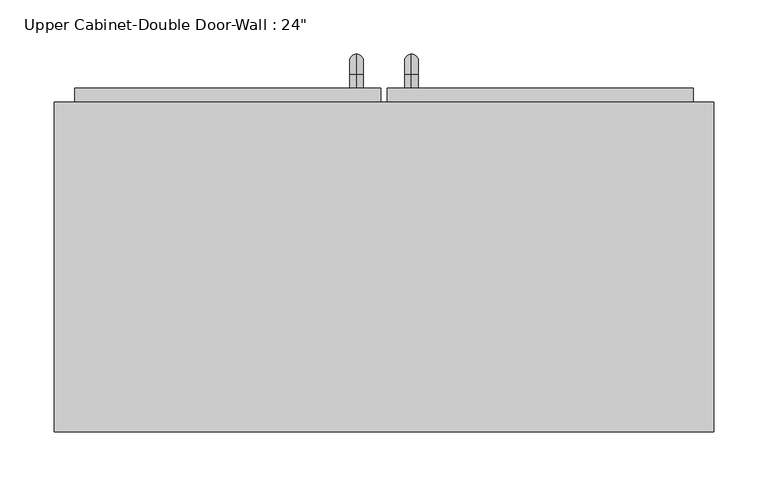
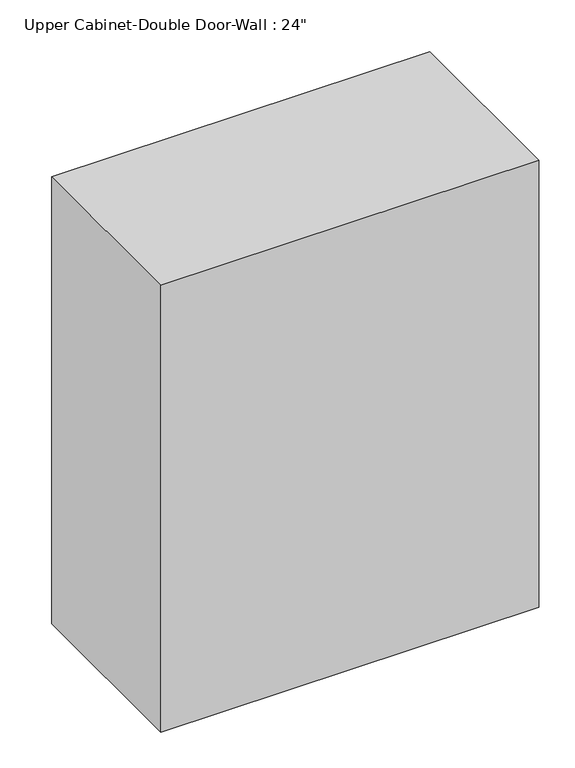
"""IFC4 building model written with IfcOpenShell, lengths in millimetres: furniture geometry."""

from ifc_helpers import new_model, si_unit, point, frame, origin, place, context, project, spatial, polyline, circle_curve, ellipse_curve, trimmed, outline, extrude, faceted_brep, source, transform, mapped, element, save
from ifc_brep_helpers import plane_surface, cylinder_surface, revolved_surface, advanced_brep


def furniture_1a12ce35(model_context):
    return source(origin(), model_context, "Body", "SolidModel", [
        faceted_brep([(-275.0288372, 61.9125, 2133.6), (-275.0288372, 61.9125, 1371.6), (334.5711628, 61.9125, 1371.6), (334.5711628, 61.9125, 2133.6), (-275.0288372, 366.7125, 2133.6), (334.5711628, 366.7125, 2133.6), (334.5711628, 366.7125, 1371.6), (-275.0288372, 366.7125, 1371.6), (-255.9788372, 366.7125, 2114.55), (-255.9788372, 366.7125, 1390.65), (315.5211628, 366.7125, 1390.65), (315.5211628, 366.7125, 2114.55), (315.5211628, 80.9625, 2114.55), (-255.9788372, 80.9625, 2114.55), (315.5211628, 80.9625, 1390.65), (-255.9788372, 80.9625, 1390.65)], [[[0, 1, 2, 3]], [[4, 5, 6, 7], [8, 9, 10, 11]], [[1, 0, 4, 7]], [[2, 1, 7, 6]], [[3, 2, 6, 5]], [[0, 3, 5, 4]], [[8, 11, 12, 13]], [[11, 10, 14, 12]], [[10, 9, 15, 14]], [[9, 8, 13, 15]], [[13, 12, 14, 15]]]),
        advanced_brep(
        [(55.1711628, 379.4125, 1517.65), (55.1711628, 379.4125, 1530.35), (55.1711628, 392.1125, 1517.65), (55.1711628, 392.1125, 1530.35), (55.1711628, 411.1625, 1511.3), (55.1711628, 398.4625, 1511.3), (55.1711628, 398.4625, 1435.1), (55.1711628, 411.1625, 1435.1), (55.1711628, 392.1125, 1416.05), (55.1711628, 392.1125, 1428.75), (55.1711628, 379.4125, 1428.75), (55.1711628, 379.4125, 1416.05)],
        [
            (0, 1, circle_curve(frame((55.1711628, 379.4125, 1524.0), z_axis=(0.0, -1.0, 0.0), x_axis=(0.0, 0.0, -1.0)), 6.35)),
            (1, 0, circle_curve(frame((55.1711628, 379.4125, 1524.0), z_axis=(0.0, -1.0, 0.0), x_axis=(0.0, 0.0, -1.0)), 6.35)),
            (0, 2),
            (2, 3, circle_curve(frame((55.1711628, 392.1125, 1524.0), z_axis=(0.0, -1.0, 0.0), x_axis=(0.0, 0.0, -1.0)), 6.35)),
            (3, 1),
            (3, 2, circle_curve(frame((55.1711628, 392.1125, 1524.0), z_axis=(0.0, -1.0, 0.0), x_axis=(0.0, 0.0, -1.0)), 6.35)),
            (4, 3, circle_curve(frame((55.1711628, 392.1125, 1511.3), z_axis=(1.0, 0.0, 0.0), x_axis=(0.0, 0.0, 1.0)), 19.05)),
            (2, 5, circle_curve(frame((55.1711628, 392.1125, 1511.3), z_axis=(-1.0, 0.0, 0.0), x_axis=(0.0, 0.0, 1.0)), 6.35)),
            (5, 4, circle_curve(frame((55.1711628, 404.8125, 1511.3), z_axis=(0.0, 0.0, 1.0), x_axis=(0.0, -1.0, 0.0)), 6.35)),
            (4, 5, circle_curve(frame((55.1711628, 404.8125, 1511.3), z_axis=(0.0, 0.0, 1.0), x_axis=(0.0, -1.0, 0.0)), 6.35)),
            (5, 6),
            (6, 7, circle_curve(frame((55.1711628, 404.8125, 1435.1), z_axis=(0.0, 0.0, 1.0), x_axis=(0.0, -1.0, 0.0)), 6.35)),
            (7, 4),
            (7, 6, circle_curve(frame((55.1711628, 404.8125, 1435.1), z_axis=(0.0, 0.0, 1.0), x_axis=(0.0, -1.0, 0.0)), 6.35)),
            (8, 7, circle_curve(frame((55.1711628, 392.1125, 1435.1), z_axis=(1.0, 0.0, 0.0), x_axis=(0.0, 1.0, 0.0)), 19.05)),
            (6, 9, circle_curve(frame((55.1711628, 392.1125, 1435.1), z_axis=(-1.0, 0.0, 0.0), x_axis=(0.0, 1.0, 0.0)), 6.35)),
            (9, 8, circle_curve(frame((55.1711628, 392.1125, 1422.4), z_axis=(0.0, 1.0, 0.0), x_axis=(0.0, 0.0, 1.0)), 6.35)),
            (8, 9, circle_curve(frame((55.1711628, 392.1125, 1422.4), z_axis=(0.0, 1.0, 0.0), x_axis=(0.0, 0.0, 1.0)), 6.35)),
            (10, 11, circle_curve(frame((55.1711628, 379.4125, 1422.4), z_axis=(0.0, -1.0, 0.0), x_axis=(0.0, 0.0, 1.0)), 6.35)),
            (11, 10, circle_curve(frame((55.1711628, 379.4125, 1422.4), z_axis=(0.0, -1.0, 0.0), x_axis=(0.0, 0.0, 1.0)), 6.35)),
            (9, 10),
            (11, 8),
        ],
        [
            plane_surface(frame((48.8211628, 379.4125, 1524.0), z_axis=(0.0, -1.0, 0.0), x_axis=(0.0, 0.0, 1.0))),
            cylinder_surface(frame((55.1711628, 379.4125, 1524.0), z_axis=(0.0, -1.0, 0.0), x_axis=(0.0, 0.0, -1.0)), 6.35),
            revolved_surface(trimmed(ellipse_curve(frame((55.1711628, 392.1125, 1524.0), z_axis=(0.0, -1.0, 0.0), x_axis=(0.0, 0.0, -1.0)), 6.35, 6.35), [point((55.1711628, 392.1125, 1517.65))], [point((55.1711628, 392.1125, 1530.35))], True, "CARTESIAN"), (55.1711628, 392.1125, 1511.3), (-1.0, 0.0, 0.0)),
            revolved_surface(trimmed(ellipse_curve(frame((55.1711628, 392.1125, 1524.0), z_axis=(0.0, -1.0, 0.0), x_axis=(0.0, 0.0, -1.0)), 6.35, 6.35), [point((55.1711628, 392.1125, 1530.35))], [point((55.1711628, 392.1125, 1517.65))], True, "CARTESIAN"), (55.1711628, 392.1125, 1511.3), (-1.0, 0.0, 0.0)),
            cylinder_surface(frame((55.1711628, 404.8125, 1511.3), z_axis=(0.0, 0.0, 1.0), x_axis=(0.0, -1.0, 0.0)), 6.35),
            revolved_surface(trimmed(ellipse_curve(frame((55.1711628, 404.8125, 1435.1), z_axis=(0.0, 0.0, 1.0), x_axis=(0.0, -1.0, 0.0)), 6.35, 6.35), [point((55.1711628, 398.4625, 1435.1))], [point((55.1711628, 411.1625, 1435.1))], True, "CARTESIAN"), (55.1711628, 392.1125, 1435.1), (-1.0, 0.0, 0.0)),
            revolved_surface(trimmed(ellipse_curve(frame((55.1711628, 404.8125, 1435.1), z_axis=(0.0, 0.0, 1.0), x_axis=(0.0, -1.0, 0.0)), 6.35, 6.35), [point((55.1711628, 411.1625, 1435.1))], [point((55.1711628, 398.4625, 1435.1))], True, "CARTESIAN"), (55.1711628, 392.1125, 1435.1), (-1.0, 0.0, 0.0)),
            plane_surface(frame((48.8211628, 379.4125, 1422.4), z_axis=(0.0, -1.0, 0.0), x_axis=(0.0, 0.0, -1.0))),
            cylinder_surface(frame((55.1711628, 392.1125, 1422.4), z_axis=(0.0, 1.0, 0.0), x_axis=(0.0, 0.0, 1.0)), 6.35),
        ],
        [
            (0, [[1, 2]]),
            (1, [[-1, 3, 4, 5]]),
            (1, [[-2, -5, 6, -3]]),
            (2, [[7, -4, 8, 9]]),
            (3, [[-8, -6, -7, 10]]),
            (4, [[-9, 11, 12, 13]]),
            (4, [[-10, -13, 14, -11]]),
            (5, [[15, -12, 16, 17]]),
            (6, [[-16, -14, -15, 18]]),
            (7, [[19, 20]]),
            (8, [[-17, 21, -20, 22]]),
            (8, [[-18, -22, -19, -21]]),
        ],
    ),
        advanced_brep(
        [(4.3711628, 379.4125, 1517.65), (4.3711628, 379.4125, 1530.35), (4.3711628, 392.1125, 1517.65), (4.3711628, 392.1125, 1530.35), (4.3711628, 411.1625, 1511.3), (4.3711628, 398.4625, 1511.3), (4.3711628, 398.4625, 1435.1), (4.3711628, 411.1625, 1435.1), (4.3711628, 392.1125, 1416.05), (4.3711628, 392.1125, 1428.75), (4.3711628, 379.4125, 1428.75), (4.3711628, 379.4125, 1416.05)],
        [
            (0, 1, circle_curve(frame((4.3711628, 379.4125, 1524.0), z_axis=(0.0, -1.0, 0.0), x_axis=(0.0, 0.0, 1.0)), 6.35)),
            (1, 0, circle_curve(frame((4.3711628, 379.4125, 1524.0), z_axis=(0.0, -1.0, 0.0), x_axis=(0.0, 0.0, 1.0)), 6.35)),
            (0, 2),
            (2, 3, circle_curve(frame((4.3711628, 392.1125, 1524.0), z_axis=(0.0, -1.0, 0.0), x_axis=(0.0, 0.0, 1.0)), 6.35)),
            (3, 1),
            (3, 2, circle_curve(frame((4.3711628, 392.1125, 1524.0), z_axis=(0.0, -1.0, 0.0), x_axis=(0.0, 0.0, 1.0)), 6.35)),
            (4, 3, circle_curve(frame((4.3711628, 392.1125, 1511.3), z_axis=(1.0, 0.0, 0.0), x_axis=(0.0, 0.0, 1.0)), 19.05)),
            (2, 5, circle_curve(frame((4.3711628, 392.1125, 1511.3), z_axis=(-1.0, 0.0, 0.0), x_axis=(0.0, 0.0, 1.0)), 6.35)),
            (5, 4, circle_curve(frame((4.3711628, 404.8125, 1511.3), z_axis=(0.0, 0.0, 1.0), x_axis=(0.0, 1.0, 0.0)), 6.35)),
            (4, 5, circle_curve(frame((4.3711628, 404.8125, 1511.3), z_axis=(0.0, 0.0, 1.0), x_axis=(0.0, 1.0, 0.0)), 6.35)),
            (5, 6),
            (6, 7, circle_curve(frame((4.3711628, 404.8125, 1435.1), z_axis=(0.0, 0.0, 1.0), x_axis=(0.0, 1.0, 0.0)), 6.35)),
            (7, 4),
            (7, 6, circle_curve(frame((4.3711628, 404.8125, 1435.1), z_axis=(0.0, 0.0, 1.0), x_axis=(0.0, 1.0, 0.0)), 6.35)),
            (8, 7, circle_curve(frame((4.3711628, 392.1125, 1435.1), z_axis=(1.0, 0.0, 0.0), x_axis=(0.0, 1.0, 0.0)), 19.05)),
            (6, 9, circle_curve(frame((4.3711628, 392.1125, 1435.1), z_axis=(-1.0, 0.0, 0.0), x_axis=(0.0, 1.0, 0.0)), 6.35)),
            (9, 8, circle_curve(frame((4.3711628, 392.1125, 1422.4), z_axis=(0.0, 1.0, 0.0), x_axis=(0.0, 0.0, -1.0)), 6.35)),
            (8, 9, circle_curve(frame((4.3711628, 392.1125, 1422.4), z_axis=(0.0, 1.0, 0.0), x_axis=(0.0, 0.0, -1.0)), 6.35)),
            (10, 11, circle_curve(frame((4.3711628, 379.4125, 1422.4), z_axis=(0.0, -1.0, 0.0), x_axis=(0.0, 0.0, -1.0)), 6.35)),
            (11, 10, circle_curve(frame((4.3711628, 379.4125, 1422.4), z_axis=(0.0, -1.0, 0.0), x_axis=(0.0, 0.0, -1.0)), 6.35)),
            (9, 10),
            (11, 8),
        ],
        [
            plane_surface(frame((-1.9788372, 379.4125, 1524.0), z_axis=(0.0, -1.0, 0.0), x_axis=(0.0, 0.0, 1.0))),
            cylinder_surface(frame((4.3711628, 379.4125, 1524.0), z_axis=(0.0, -1.0, 0.0), x_axis=(0.0, 0.0, 1.0)), 6.35),
            revolved_surface(trimmed(ellipse_curve(frame((4.3711628, 392.1125, 1524.0), z_axis=(0.0, -1.0, 0.0), x_axis=(0.0, 0.0, 1.0)), 6.35, 6.35), [point((4.3711628, 392.1125, 1517.65))], [point((4.3711628, 392.1125, 1530.35))], True, "CARTESIAN"), (4.3711628, 392.1125, 1511.3), (-1.0, 0.0, 0.0)),
            revolved_surface(trimmed(ellipse_curve(frame((4.3711628, 392.1125, 1524.0), z_axis=(0.0, -1.0, 0.0), x_axis=(0.0, 0.0, 1.0)), 6.35, 6.35), [point((4.3711628, 392.1125, 1530.35))], [point((4.3711628, 392.1125, 1517.65))], True, "CARTESIAN"), (4.3711628, 392.1125, 1511.3), (-1.0, 0.0, 0.0)),
            cylinder_surface(frame((4.3711628, 404.8125, 1511.3), z_axis=(0.0, 0.0, 1.0), x_axis=(0.0, 1.0, 0.0)), 6.35),
            revolved_surface(trimmed(ellipse_curve(frame((4.3711628, 404.8125, 1435.1), z_axis=(0.0, 0.0, 1.0), x_axis=(0.0, 1.0, 0.0)), 6.35, 6.35), [point((4.3711628, 398.4625, 1435.1))], [point((4.3711628, 411.1625, 1435.1))], True, "CARTESIAN"), (4.3711628, 392.1125, 1435.1), (-1.0, 0.0, 0.0)),
            revolved_surface(trimmed(ellipse_curve(frame((4.3711628, 404.8125, 1435.1), z_axis=(0.0, 0.0, 1.0), x_axis=(0.0, 1.0, 0.0)), 6.35, 6.35), [point((4.3711628, 411.1625, 1435.1))], [point((4.3711628, 398.4625, 1435.1))], True, "CARTESIAN"), (4.3711628, 392.1125, 1435.1), (-1.0, 0.0, 0.0)),
            plane_surface(frame((-1.9788372, 379.4125, 1422.4), z_axis=(0.0, -1.0, 0.0), x_axis=(0.0, 0.0, -1.0))),
            cylinder_surface(frame((4.3711628, 392.1125, 1422.4), z_axis=(0.0, 1.0, 0.0), x_axis=(0.0, 0.0, -1.0)), 6.35),
        ],
        [
            (0, [[1, 2]]),
            (1, [[-1, 3, 4, 5]]),
            (1, [[-2, -5, 6, -3]]),
            (2, [[7, -4, 8, 9]]),
            (3, [[-8, -6, -7, 10]]),
            (4, [[-9, 11, 12, 13]]),
            (4, [[-10, -13, 14, -11]]),
            (5, [[15, -12, 16, 17]]),
            (6, [[-16, -14, -15, 18]]),
            (7, [[19, 20]]),
            (8, [[-17, 21, -20, 22]]),
            (8, [[-18, -22, -19, -21]]),
        ],
    ),
        extrude(outline(polyline([(32.9461628, 379.4125), (315.5211628, 379.4125), (315.5211628, 347.6625), (32.9461628, 347.6625), (32.9461628, 379.4125)])), frame((0.0, 0.0, 1390.65), z_axis=(0.0, 0.0, 1.0), x_axis=(1.0, 0.0, 0.0)), (0.0, 0.0, 1.0), 723.9),
        extrude(outline(polyline([(-255.9788372, 379.4125), (26.5961628, 379.4125), (26.5961628, 347.6625), (-255.9788372, 347.6625), (-255.9788372, 379.4125)])), frame((0.0, 0.0, 1390.65), z_axis=(0.0, 0.0, 1.0), x_axis=(1.0, 0.0, 0.0)), (0.0, 0.0, 1.0), 723.9),
    ])


if __name__ == "__main__":
    model = new_model("IFC4")
    model_context = context("Model", 3, world=origin())
    ifc_project = project(units=[si_unit("LENGTHUNIT", "METRE", prefix="MILLI")], contexts=[model_context])
    site = spatial("IfcSite", under=ifc_project)
    building = spatial("IfcBuilding", under=site)
    placement = place(None, origin())
    furniture_shape = furniture_1a12ce35(model_context)
    element("IfcFurniture", 1, ObjectType="Upper Cabinet-Double Door-Wall : 24\"", at=placement, inside=building, context=model_context, shape_type="MappedRepresentation", body=[
        mapped(furniture_shape, transform((0.0, 0.0, 0.0), x_axis=(1.0, 0.0, 0.0), y_axis=(0.0, 1.0, 0.0), z_axis=(0.0, 0.0, 1.0))),
    ])
    save(model, "model.ifc")
